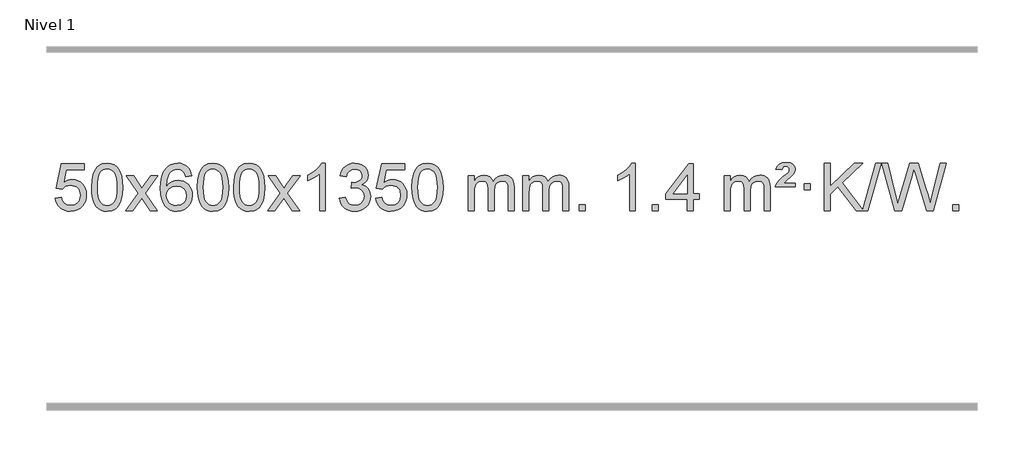
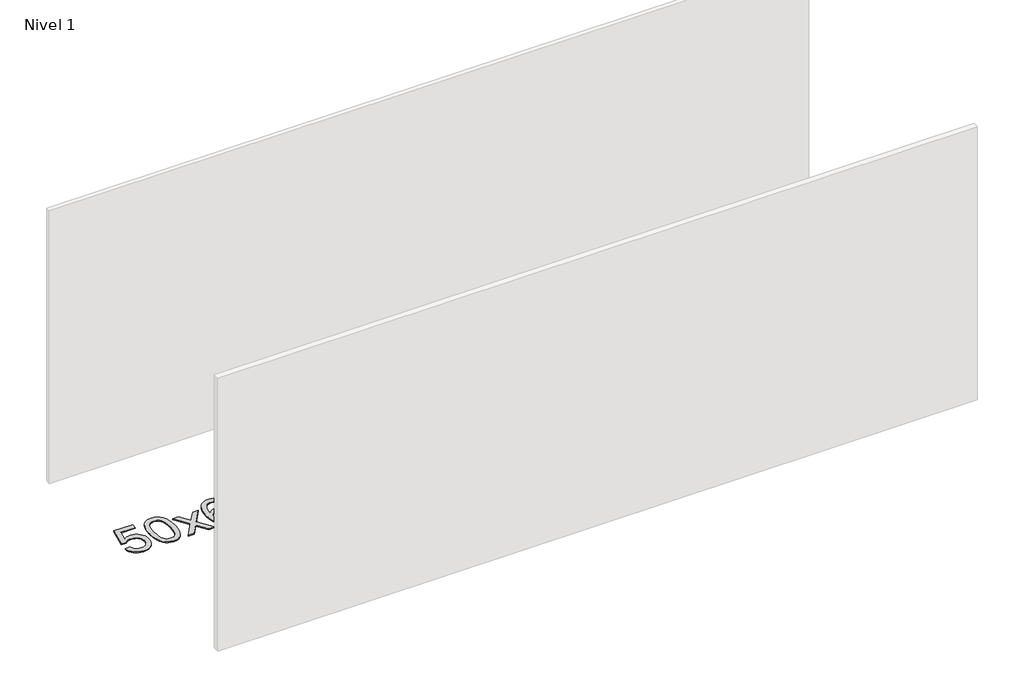
# One storey, part 14 of 16: 1 proxy.
"""IFC4 building model written with IfcOpenShell, lengths in millimetres."""

from ifc_helpers import new_model, si_unit, origin, origin_with_axes, place, context, project, spatial, polyline, outline, extrude, element, save

model = new_model("IFC4")

# Units and contexts
model_context = context("Model", 3, world=origin())
ifc_project = project(units=[si_unit("LENGTHUNIT", "METRE", prefix="MILLI")], contexts=[model_context])

# Site, building, storey
site = spatial("IfcSite", under=ifc_project)
building = spatial("IfcBuilding", under=site)
storey = spatial("IfcBuildingStorey", under=building, Name="Nivel 1", Elevation=0.0)

# Proxy
placement = place(None, origin())
element("IfcBuildingElementProxy", 1, Name="Texto de modelo 1", ObjectType="Texto de modelo 1", at=placement, inside=storey, context=model_context, shape_type="SweptSolid", body=[
    extrude(outline(polyline([(-156.1697105, -284.8446235), (-105.9415554, -278.5661041), (-96.71998, -308.7201649), (-80.6312741, -330.3148381), (-57.749014, -343.3010725), (-28.1467761, -347.6298173), (-9.0169124, -346.1245668), (7.8566085, -341.6088153), (22.4737864, -334.0825628), (34.8346214, -323.5458094), (44.6632021, -310.519721), (51.6836168, -295.5254641), (57.2999486, -259.6324441), (52.0392361, -225.8363514), (45.4633454, -211.9181493), (36.2570985, -199.9865099), (24.3898385, -190.4154467), (9.8309085, -183.5789729), (-27.3619612, -178.1097939), (-51.728012, -180.2925604), (-71.4587497, -186.8408599), (-87.2163618, -196.8717757), (-99.663036, -209.5023908), (-149.8911911, -203.2238715), (-105.9415554, 3.9672682), (88.6925455, 3.9672682), (88.6925455, -46.2608869), (-65.3273831, -46.2608869), (-86.8116916, -156.919791), (-69.0859108, -144.2155994), (-50.9309344, -135.1411769), (-32.3467623, -129.6965234), (-13.3333945, -127.8816388), (11.1276925, -130.1318504), (33.5960854, -136.882485), (54.0717841, -148.1335427), (72.5547887, -163.8850234), (87.855614, -183.1743027), (98.7847749, -205.038756), (105.3422715, -229.4783832), (107.5281037, -256.4931844), (105.559935, -282.5147042), (99.655429, -306.7213394), (89.8145856, -329.1130902), (76.0374049, -349.6899565), (55.166233, -370.7634634), (30.812445, -385.8159684), (2.9760407, -394.8474714), (-28.3429799, -397.8579724), (-54.2633321, -395.9235262), (-77.6759554, -390.1201877), (-98.5808498, -380.447957), (-116.9780152, -366.9068338), (-132.2849719, -350.1712688), (-143.91924, -330.915712), (-151.8808195, -309.1401636), (-156.1697105, -284.8446235)])), origin_with_axes(), (0.0, 0.0, 1.0), 10.0),
    extrude(outline(polyline([(151.4777394, -193.9041943), (155.1688221, -129.5861588), (166.2420701, -78.2911459), (184.5871189, -39.2343407), (196.4451819, -24.0009605), (210.0936039, -11.6309284), (225.5783702, -2.0598651), (242.9454661, 4.7766086), (283.3266464, 10.2457876), (314.277785, 7.008426), (341.9915619, -2.7036586), (365.1681276, -18.5103217), (382.5076323, -40.0314184), (395.6042314, -67.0830078), (406.05208, -99.4811488), (412.8946851, -140.6226186), (415.1755535, -193.9041943), (411.521259, -257.8543477), (400.5583756, -309.0267333), (382.3236913, -348.1203266), (370.4932195, -363.3996922), (356.8539945, -375.8341036), (341.3508341, -385.4695462), (323.928556, -392.3520052), (283.3266464, -397.8579724), (255.6619204, -395.4667394), (231.1364541, -388.2930405), (209.7502474, -376.3368757), (191.5033004, -359.5982449), (173.9921175, -329.3399508), (161.4841296, -291.6381776), (153.9793369, -246.4929255), (151.4777394, -193.9041943)]), holes=[polyline([(201.7058944, -193.8060924), (203.1774224, -237.4706195), (207.5920064, -272.8148822), (214.9496463, -299.8388804), (225.2503421, -318.5426142), (237.709279, -331.2682656), (251.5416421, -340.3580165), (266.7474312, -345.8118671), (283.3266464, -347.6298173), (299.9058617, -345.8057357), (315.1116508, -340.3334911), (328.9440138, -331.2130833), (341.4029507, -318.4445124), (351.7036466, -299.7101217), (359.0612865, -272.6922549), (363.4758705, -237.3909118), (364.9473984, -193.8060924), (363.5249214, -151.2973278), (359.2574902, -116.5753989), (352.145105, -89.6403055), (342.1877657, -70.4920476), (329.9372952, -57.1440625), (315.9455167, -47.6097875), (300.21243, -41.8892225), (282.7380352, -39.9823675), (266.2446591, -41.6623619), (251.2963874, -46.7023452), (237.89322, -55.1023175), (226.0351571, -66.8622786), (215.3911047, -87.708925), (207.7882101, -115.8151094), (203.2264734, -151.1808319), (201.7058944, -193.8060924)])]), origin_with_axes(), (0.0, 0.0, 1.0), 10.0),
    extrude(outline(polyline([(440.2896311, -391.579453), (547.6130718, -243.2494325), (446.5681504, -96.4890419), (506.9988995, -96.4890419), (555.7555266, -167.122385), (578.5151594, -200.4770192), (598.2336343, -173.2047007), (653.7592901, -96.4890419), (714.1900392, -96.4890419), (608.0438209, -243.2494325), (710.2659646, -391.579453), (649.8352155, -391.579453), (588.3253459, -302.4048574), (577.0436314, -286.1199477), (500.7203801, -391.579453), (440.2896311, -391.579453)])), origin_with_axes(), (0.0, 0.0, 1.0), 10.0),
    extrude(outline(polyline([(999.0778563, -96.4890419), (948.8497012, -102.7675613), (940.7562973, -77.874213), (929.8179393, -60.8780648), (907.0337811, -45.2062918), (879.4916824, -39.9823675), (856.1434384, -43.0235253), (834.1686206, -52.1469988), (815.2962742, -71.3627017), (799.8820186, -97.8134171), (789.4709581, -135.227016), (785.6081972, -187.3313693), (805.7558678, -163.8237098), (829.9011894, -147.2567573), (856.6952614, -137.434308), (884.7891831, -134.1601582), (908.922242, -136.398107), (931.1913654, -143.1119534), (951.5965534, -154.3016975), (970.137806, -169.9673391), (985.5459302, -189.1769106), (996.5517332, -210.9984443), (1003.155215, -235.4319401), (1005.3563756, -262.4773982), (1001.2115718, -298.4439945), (988.7771604, -331.786366), (969.0832109, -360.0642287), (943.159793, -380.8372987), (912.184129, -393.602804), (877.3334413, -397.8579724), (847.3909126, -395.0375437), (820.3485203, -386.5762579), (796.2062643, -372.4741147), (774.9641448, -352.7311143), (757.6460999, -326.5133908), (745.2760678, -292.9870783), (737.8540485, -252.1521768), (735.3800421, -204.0086864), (738.1268943, -150.0342663), (746.367451, -103.9693092), (760.1017122, -65.8138149), (779.3296778, -35.5677835), (800.1701928, -15.5243462), (824.3339085, -1.2076052), (851.820825, 7.3824394), (882.6309421, 10.2457876), (905.7645882, 8.4738227), (926.7032051, 3.1579278), (945.4467927, -5.7018969), (961.9953511, -18.1056515), (975.9012906, -33.6364031), (986.7170212, -51.8772186), (994.4425431, -72.8280983), (999.0778563, -96.4890419)]), holes=[polyline([(785.6081972, -261.6925832), (788.514465, -283.9494439), (797.2332682, -305.2007605), (810.7713257, -323.472233), (828.1353558, -336.7895612), (849.0923668, -344.9197533), (873.4093667, -347.6298173), (906.5555345, -342.0134855), (920.4706709, -334.9930708), (932.6138425, -325.1644901), (942.4638829, -312.9262824), (949.499626, -298.6769865), (955.1282206, -264.1451299), (949.5732024, -230.9989621), (942.6294298, -217.3781312), (932.9081481, -205.725469), (920.7281883, -196.3904634), (906.4083817, -189.7226022), (871.3492275, -184.3883133), (838.2521107, -189.7226022), (810.5751219, -205.725469), (799.6520924, -217.2248471), (791.8499284, -230.3858254), (787.16863, -245.2084042), (785.6081972, -261.6925832)])]), origin_with_axes(), (0.0, 0.0, 1.0), 10.0),
    extrude(outline(polyline([(1049.3060113, -193.9041943), (1052.997094, -129.5861588), (1064.0703421, -78.2911459), (1082.4153909, -39.2343407), (1094.2734539, -24.0009605), (1107.9218759, -11.6309284), (1123.4066422, -2.0598651), (1140.7737381, 4.7766086), (1181.1549184, 10.2457876), (1212.1060569, 7.008426), (1239.8198339, -2.7036586), (1262.9963996, -18.5103217), (1280.3359043, -40.0314184), (1293.4325033, -67.0830078), (1303.880352, -99.4811488), (1310.7229571, -140.6226186), (1313.0038255, -193.9041943), (1309.349531, -257.8543477), (1298.3866475, -309.0267333), (1280.1519633, -348.1203266), (1268.3214915, -363.3996922), (1254.6822665, -375.8341036), (1239.1791061, -385.4695462), (1221.7568279, -392.3520052), (1181.1549184, -397.8579724), (1153.4901924, -395.4667394), (1128.964726, -388.2930405), (1107.5785194, -376.3368757), (1089.3315724, -359.5982449), (1071.8203894, -329.3399508), (1059.3124016, -291.6381776), (1051.8076089, -246.4929255), (1049.3060113, -193.9041943)]), holes=[polyline([(1099.5341664, -193.8060924), (1101.0056944, -237.4706195), (1105.4202783, -272.8148822), (1112.7779182, -299.8388804), (1123.0786141, -318.5426142), (1135.537551, -331.2682656), (1149.369914, -340.3580165), (1164.5757032, -345.8118671), (1181.1549184, -347.6298173), (1197.7341337, -345.8057357), (1212.9399228, -340.3334911), (1226.7722858, -331.2130833), (1239.2312227, -318.4445124), (1249.5319186, -299.7101217), (1256.8895585, -272.6922549), (1261.3041424, -237.3909118), (1262.7756704, -193.8060924), (1261.3531934, -151.2973278), (1257.0857622, -116.5753989), (1249.973377, -89.6403055), (1240.0160376, -70.4920476), (1227.7655672, -57.1440625), (1213.7737886, -47.6097875), (1198.040702, -41.8892225), (1180.5663072, -39.9823675), (1164.0729311, -41.6623619), (1149.1246594, -46.7023452), (1135.721492, -55.1023175), (1123.863429, -66.8622786), (1113.2193766, -87.708925), (1105.6164821, -115.8151094), (1101.0547453, -151.1808319), (1099.5341664, -193.8060924)])]), origin_with_axes(), (0.0, 0.0, 1.0), 10.0),
    extrude(outline(polyline([(1356.9534612, -193.9041943), (1360.6445439, -129.5861588), (1371.7177919, -78.2911459), (1390.0628407, -39.2343407), (1401.9209037, -24.0009605), (1415.5693257, -11.6309284), (1431.054092, -2.0598651), (1448.4211879, 4.7766086), (1488.8023682, 10.2457876), (1519.7535068, 7.008426), (1547.4672837, -2.7036586), (1570.6438494, -18.5103217), (1587.9833541, -40.0314184), (1601.0799532, -67.0830078), (1611.5278018, -99.4811488), (1618.3704069, -140.6226186), (1620.6512753, -193.9041943), (1616.9969808, -257.8543477), (1606.0340974, -309.0267333), (1587.7994131, -348.1203266), (1575.9689413, -363.3996922), (1562.3297163, -375.8341036), (1546.8265559, -385.4695462), (1529.4042778, -392.3520052), (1488.8023682, -397.8579724), (1461.1376422, -395.4667394), (1436.6121759, -388.2930405), (1415.2259692, -376.3368757), (1396.9790222, -359.5982449), (1379.4678393, -329.3399508), (1366.9598514, -291.6381776), (1359.4550587, -246.4929255), (1356.9534612, -193.9041943)]), holes=[polyline([(1407.1816162, -193.8060924), (1408.6531442, -237.4706195), (1413.0677282, -272.8148822), (1420.4253681, -299.8388804), (1430.7260639, -318.5426142), (1443.1850008, -331.2682656), (1457.0173639, -340.3580165), (1472.223153, -345.8118671), (1488.8023682, -347.6298173), (1505.3815835, -345.8057357), (1520.5873726, -340.3334911), (1534.4197356, -331.2130833), (1546.8786725, -318.4445124), (1557.1793684, -299.7101217), (1564.5370083, -272.6922549), (1568.9515923, -237.3909118), (1570.4231202, -193.8060924), (1569.0006432, -151.2973278), (1564.733212, -116.5753989), (1557.6208268, -89.6403055), (1547.6634875, -70.4920476), (1535.413017, -57.1440625), (1521.4212385, -47.6097875), (1505.6881518, -41.8892225), (1488.213757, -39.9823675), (1471.7203809, -41.6623619), (1456.7721092, -46.7023452), (1443.3689418, -55.1023175), (1431.5108789, -66.8622786), (1420.8668265, -87.708925), (1413.2639319, -115.8151094), (1408.7021952, -151.1808319), (1407.1816162, -193.8060924)])]), origin_with_axes(), (0.0, 0.0, 1.0), 10.0),
    extrude(outline(polyline([(1645.7653528, -391.579453), (1753.0887936, -243.2494325), (1652.0438722, -96.4890419), (1712.4746213, -96.4890419), (1761.2312484, -167.122385), (1783.9908812, -200.4770192), (1803.7093561, -173.2047007), (1859.2350119, -96.4890419), (1919.665761, -96.4890419), (1813.5195426, -243.2494325), (1915.7416864, -391.579453), (1855.3109373, -391.579453), (1793.8010677, -302.4048574), (1782.5193532, -286.1199477), (1706.1961019, -391.579453), (1645.7653528, -391.579453)])), origin_with_axes(), (0.0, 0.0, 1.0), 10.0),
    extrude(outline(polyline([(2135.4898648, -391.579453), (2085.2617098, -391.579453), (2085.2617098, -78.4382987), (2064.292436, -95.3976587), (2037.682305, -112.3324932), (1984.8053996, -137.6918254), (1984.8053996, -90.2105225), (2024.2546122, -68.7507395), (2058.4308496, -43.219729), (2085.3720743, -16.0700378), (2103.1162492, 10.2457876), (2135.4898648, 10.2457876), (2135.4898648, -391.579453)])), origin_with_axes(), (0.0, 0.0, 1.0), 10.0),
    extrude(outline(polyline([(2254.7817331, -284.8446235), (2305.0098882, -278.5661041), (2316.2548145, -310.1303793), (2332.7236652, -331.4430095), (2355.2257805, -343.5831154), (2384.570501, -347.6298173), (2419.0042558, -342.0625364), (2433.2780772, -335.1034354), (2445.5898613, -325.3606939), (2462.5860095, -300.4428201), (2468.2513922, -270.2274455), (2462.6350604, -241.5449126), (2445.786065, -218.2825078), (2420.27958, -202.8682522), (2388.6907794, -197.730167), (2353.4722097, -203.2238715), (2359.064016, -152.9957164), (2367.108369, -153.5843276), (2397.2011162, -149.979084), (2424.1055528, -139.1633534), (2435.1788008, -130.9841103), (2443.0882637, -120.8673555), (2447.8339415, -108.8130888), (2449.415834, -94.8213102), (2444.8295718, -73.1285352), (2431.0707852, -55.5315131), (2410.076986, -43.8696539), (2383.7856861, -39.9823675), (2357.4453352, -43.9064421), (2335.9119758, -55.6786659), (2320.1911519, -75.299039), (2311.2884076, -102.7675613), (2261.0602525, -96.4890419), (2267.0138095, -72.5092672), (2275.8491087, -51.3867093), (2287.5661503, -33.1213683), (2302.1649341, -17.713244), (2319.1856078, -5.4811677), (2338.1683187, 3.2560297), (2359.113067, 8.4983481), (2382.0198525, 10.2457876), (2413.5963904, 6.7999596), (2442.5977544, -3.5375245), (2467.0496443, -19.8469596), (2484.9777602, -41.2086408), (2495.9774319, -65.8199463), (2499.6439891, -91.8782543), (2496.1613729, -116.1584659), (2485.7135242, -138.1823347), (2468.4475959, -156.9443165), (2444.5107408, -171.4388671), (2475.9523886, -184.1430586), (2499.2515817, -205.77452), (2513.6725559, -235.1560286), (2518.4795473, -271.1103623), (2516.0760516, -296.5923218), (2508.8655645, -320.0631931), (2496.848086, -341.5229762), (2480.023616, -360.971671), (2459.5264575, -377.1094278), (2436.4909133, -388.636397), (2410.9169832, -395.5525785), (2382.8046674, -397.8579724), (2357.3962843, -395.8898037), (2334.2442441, -389.9852977), (2313.3485468, -380.1444543), (2294.7091923, -366.3672736), (2279.0803389, -349.4630959), (2267.2161446, -330.2412617), (2259.1166093, -308.7017708), (2254.7817331, -284.8446235)])), origin_with_axes(), (0.0, 0.0, 1.0), 10.0),
    extrude(outline(polyline([(2562.429183, -284.8446235), (2612.657338, -278.5661041), (2621.8789134, -308.7201649), (2637.9676193, -330.3148381), (2660.8498794, -343.3010725), (2690.4521173, -347.6298173), (2709.581981, -346.1245668), (2726.4555019, -341.6088153), (2741.0726798, -334.0825628), (2753.4335149, -323.5458094), (2763.2620955, -310.519721), (2770.2825102, -295.5254641), (2775.898842, -259.6324441), (2770.6381295, -225.8363514), (2764.0622388, -211.9181493), (2754.8559919, -199.9865099), (2742.9887319, -190.4154467), (2728.4298019, -183.5789729), (2691.2369322, -178.1097939), (2666.8708814, -180.2925604), (2647.1401437, -186.8408599), (2631.3825316, -196.8717757), (2618.9358574, -209.5023908), (2568.7077023, -203.2238715), (2612.657338, 3.9672682), (2807.291439, 3.9672682), (2807.291439, -46.2608869), (2653.2715103, -46.2608869), (2631.7872018, -156.919791), (2649.5129826, -144.2155994), (2667.667959, -135.1411769), (2686.2521312, -129.6965234), (2705.265499, -127.8816388), (2729.726586, -130.1318504), (2752.1949788, -136.882485), (2772.6706775, -148.1335427), (2791.1536821, -163.8850234), (2806.4545074, -183.1743027), (2817.3836684, -205.038756), (2823.9411649, -229.4783832), (2826.1269971, -256.4931844), (2824.1588284, -282.5147042), (2818.2543224, -306.7213394), (2808.413479, -329.1130902), (2794.6362983, -349.6899565), (2773.7651265, -370.7634634), (2749.4113384, -385.8159684), (2721.5749341, -394.8474714), (2690.2559136, -397.8579724), (2664.3355613, -395.9235262), (2640.922938, -390.1201877), (2620.0180436, -380.447957), (2601.6208782, -366.9068338), (2586.3139215, -350.1712688), (2574.6796534, -330.915712), (2566.7180739, -309.1401636), (2562.429183, -284.8446235)])), origin_with_axes(), (0.0, 0.0, 1.0), 10.0),
    extrude(outline(polyline([(2870.0766328, -193.9041943), (2873.7677155, -129.5861588), (2884.8409635, -78.2911459), (2903.1860124, -39.2343407), (2915.0440753, -24.0009605), (2928.6924974, -11.6309284), (2944.1772637, -2.0598651), (2961.5443595, 4.7766086), (3001.9255399, 10.2457876), (3032.8766784, 7.008426), (3060.5904554, -2.7036586), (3083.7670211, -18.5103217), (3101.1065258, -40.0314184), (3114.2031248, -67.0830078), (3124.6509735, -99.4811488), (3131.4935786, -140.6226186), (3133.7744469, -193.9041943), (3130.1201525, -257.8543477), (3119.157269, -309.0267333), (3100.9225848, -348.1203266), (3089.0921129, -363.3996922), (3075.452888, -375.8341036), (3059.9497276, -385.4695462), (3042.5274494, -392.3520052), (3001.9255399, -397.8579724), (2974.2608138, -395.4667394), (2949.7353475, -388.2930405), (2928.3491408, -376.3368757), (2910.1021939, -359.5982449), (2892.5910109, -329.3399508), (2880.0830231, -291.6381776), (2872.5782304, -246.4929255), (2870.0766328, -193.9041943)]), holes=[polyline([(2920.3047879, -193.8060924), (2921.7763158, -237.4706195), (2926.1908998, -272.8148822), (2933.5485397, -299.8388804), (2943.8492356, -318.5426142), (2956.3081725, -331.2682656), (2970.1405355, -340.3580165), (2985.3463246, -345.8118671), (3001.9255399, -347.6298173), (3018.5047551, -345.8057357), (3033.7105442, -340.3334911), (3047.5429073, -331.2130833), (3060.0018442, -318.4445124), (3070.30254, -299.7101217), (3077.6601799, -272.6922549), (3082.0747639, -237.3909118), (3083.5462919, -193.8060924), (3082.1238148, -151.2973278), (3077.8563837, -116.5753989), (3070.7439984, -89.6403055), (3060.7866591, -70.4920476), (3048.5361887, -57.1440625), (3034.5444101, -47.6097875), (3018.8113234, -41.8892225), (3001.3369287, -39.9823675), (2984.8435526, -41.6623619), (2969.8952808, -46.7023452), (2956.4921135, -55.1023175), (2944.6340505, -66.8622786), (2933.9899981, -87.708925), (2926.3871035, -115.8151094), (2921.8253668, -151.1808319), (2920.3047879, -193.8060924)])]), origin_with_axes(), (0.0, 0.0, 1.0), 10.0),
    extrude(outline(polyline([(3347.244106, -391.579453), (3347.244106, -96.4890419), (3397.4722611, -96.4890419), (3397.4722611, -145.0494653), (3412.5799483, -122.7435537), (3432.0041177, -105.2691589), (3455.0825815, -93.9751816), (3481.1531522, -90.2105225), (3509.0876584, -94.048758), (3531.4794092, -105.5634645), (3548.2057772, -123.9943524), (3559.1441352, -148.5811324), (3577.4523959, -123.0439906), (3598.3358304, -104.803175), (3621.794439, -93.8586857), (3647.8282215, -90.2105225), (3667.9360383, -91.7280358), (3685.585177, -96.2805755), (3700.7756377, -103.8681416), (3713.5074204, -114.4907342), (3723.5720587, -128.2709806), (3730.761086, -145.3315082), (3735.0745024, -165.6723168), (3736.5123078, -189.2934066), (3736.5123078, -391.579453), (3686.2841528, -391.579453), (3686.2841528, -210.875817), (3685.1191931, -185.8230531), (3681.6243142, -168.9372695), (3675.0760146, -157.3735121), (3664.7507933, -148.2868268), (3651.4702533, -142.4007149), (3636.0559977, -140.4386776), (3608.8449928, -145.4663982), (3586.6617085, -160.54956), (3578.0563355, -172.1194488), (3571.9096405, -186.7182326), (3566.9922845, -225.0024856), (3566.9922845, -391.579453), (3516.7641294, -391.579453), (3516.7641294, -205.2840106), (3513.8578616, -176.8835206), (3505.1390583, -156.6254854), (3489.7983791, -144.4853796), (3467.0264836, -140.4386776), (3447.6758907, -143.1364789), (3429.8458767, -151.2298828), (3415.1305968, -164.5226856), (3405.1242066, -182.8186835), (3399.3852475, -208.2025411), (3397.4722611, -242.7589232), (3397.4722611, -391.579453), (3347.244106, -391.579453)])), origin_with_axes(), (0.0, 0.0, 1.0), 10.0),
    extrude(outline(polyline([(3811.8545404, -391.579453), (3811.8545404, -96.4890419), (3862.0826955, -96.4890419), (3862.0826955, -145.0494653), (3877.1903828, -122.7435537), (3896.6145521, -105.2691589), (3919.693016, -93.9751816), (3945.7635867, -90.2105225), (3973.6980929, -94.048758), (3996.0898436, -105.5634645), (4012.8162117, -123.9943524), (4023.7545697, -148.5811324), (4042.0628303, -123.0439906), (4062.9462649, -104.803175), (4086.4048734, -93.8586857), (4112.438656, -90.2105225), (4132.5464727, -91.7280358), (4150.1956114, -96.2805755), (4165.3860721, -103.8681416), (4178.1178548, -114.4907342), (4188.1824931, -128.2709806), (4195.3715204, -145.3315082), (4199.6849368, -165.6723168), (4201.1227423, -189.2934066), (4201.1227423, -391.579453), (4150.8945872, -391.579453), (4150.8945872, -210.875817), (4149.7296276, -185.8230531), (4146.2347486, -168.9372695), (4139.6864491, -157.3735121), (4129.3612278, -148.2868268), (4116.0806877, -142.4007149), (4100.6664321, -140.4386776), (4073.4554272, -145.4663982), (4051.2721429, -160.54956), (4042.6667699, -172.1194488), (4036.5200749, -186.7182326), (4031.6027189, -225.0024856), (4031.6027189, -391.579453), (3981.3745638, -391.579453), (3981.3745638, -205.2840106), (3978.4682961, -176.8835206), (3969.7494928, -156.6254854), (3954.4088136, -144.4853796), (3931.6369181, -140.4386776), (3912.2863251, -143.1364789), (3894.4563111, -151.2298828), (3879.7410313, -164.5226856), (3869.734641, -182.8186835), (3863.9956819, -208.2025411), (3862.0826955, -242.7589232), (3862.0826955, -391.579453), (3811.8545404, -391.579453)])), origin_with_axes(), (0.0, 0.0, 1.0), 10.0),
    extrude(outline(polyline([(4289.0220137, -391.579453), (4289.0220137, -341.3512979), (4339.2501687, -341.3512979), (4339.2501687, -391.579453), (4289.0220137, -391.579453)])), origin_with_axes(), (0.0, 0.0, 1.0), 10.0),
    extrude(outline(polyline([(4766.1894869, -391.579453), (4715.9613318, -391.579453), (4715.9613318, -78.4382987), (4694.9920581, -95.3976587), (4668.3819271, -112.3324932), (4615.5050216, -137.6918254), (4615.5050216, -90.2105225), (4654.9542343, -68.7507395), (4689.1304716, -43.219729), (4716.0716964, -16.0700378), (4733.8158713, 10.2457876), (4766.1894869, 10.2457876), (4766.1894869, -391.579453)])), origin_with_axes(), (0.0, 0.0, 1.0), 10.0),
    extrude(outline(polyline([(4910.5954327, -391.579453), (4910.5954327, -341.3512979), (4960.8235878, -341.3512979), (4960.8235878, -391.579453), (4910.5954327, -391.579453)])), origin_with_axes(), (0.0, 0.0, 1.0), 10.0),
    extrude(outline(polyline([(5205.6858438, -391.579453), (5205.6858438, -297.4016622), (5023.6087816, -297.4016622), (5023.6087816, -247.1735072), (5218.2428825, 3.9672682), (5255.9139988, 3.9672682), (5255.9139988, -247.1735072), (5306.1421539, -247.1735072), (5306.1421539, -297.4016622), (5255.9139988, -297.4016622), (5255.9139988, -391.579453), (5205.6858438, -391.579453)]), holes=[polyline([(5205.6858438, -247.1735072), (5205.6858438, -91.9763561), (5085.4129568, -247.1735072), (5205.6858438, -247.1735072)])]), origin_with_axes(), (0.0, 0.0, 1.0), 10.0),
    extrude(outline(polyline([(5519.611813, -391.579453), (5519.611813, -96.4890419), (5569.8399681, -96.4890419), (5569.8399681, -145.0494653), (5584.9476553, -122.7435537), (5604.3718247, -105.2691589), (5627.4502885, -93.9751816), (5653.5208592, -90.2105225), (5681.4553654, -94.048758), (5703.8471162, -105.5634645), (5720.5734842, -123.9943524), (5731.5118422, -148.5811324), (5749.8201028, -123.0439906), (5770.7035374, -104.803175), (5794.162146, -93.8586857), (5820.1959285, -90.2105225), (5840.3037452, -91.7280358), (5857.952884, -96.2805755), (5873.1433447, -103.8681416), (5885.8751274, -114.4907342), (5895.9397656, -128.2709806), (5903.128793, -145.3315082), (5907.4422094, -165.6723168), (5908.8800148, -189.2934066), (5908.8800148, -391.579453), (5858.6518597, -391.579453), (5858.6518597, -210.875817), (5857.4869001, -185.8230531), (5853.9920211, -168.9372695), (5847.4437216, -157.3735121), (5837.1185003, -148.2868268), (5823.8379603, -142.4007149), (5808.4237047, -140.4386776), (5781.2126998, -145.4663982), (5759.0294155, -160.54956), (5750.4240424, -172.1194488), (5744.2773474, -186.7182326), (5739.3599914, -225.0024856), (5739.3599914, -391.579453), (5689.1318364, -391.579453), (5689.1318364, -205.2840106), (5686.2255686, -176.8835206), (5677.5067653, -156.6254854), (5662.1660861, -144.4853796), (5639.3941906, -140.4386776), (5620.0435977, -143.1364789), (5602.2135836, -151.2298828), (5587.4983038, -164.5226856), (5577.4919136, -182.8186835), (5571.7529544, -208.2025411), (5569.8399681, -242.7589232), (5569.8399681, -391.579453), (5519.611813, -391.579453)])), origin_with_axes(), (0.0, 0.0, 1.0), 10.0),
    extrude(outline(polyline([(5952.8296505, -190.6668327), (5956.6556233, -174.8479069), (5964.9942818, -158.9799302), (5986.5031158, -133.8413272), (6018.4597984, -106.1030247), (6062.6056379, -68.726214), (6069.7425486, -57.1992448), (6072.1215188, -45.3779701), (6070.2330579, -33.2869152), (6064.5676752, -23.5012541), (6055.198947, -17.026531), (6042.2004499, -14.8682899), (6029.7660384, -16.4869707), (6020.9123451, -21.343013), (6014.4866729, -30.8098431), (6009.336325, -46.2608869), (5959.1081699, -39.9823675), (5969.948426, -14.7701881), (5986.5766922, 2.7900458), (6010.3418691, 13.0907417), (6042.5928573, 16.524307), (6078.3755127, 12.3917659), (6103.1217083, -0.0058573), (6117.5426825, -18.3386434), (6122.3496739, -40.2766731), (6118.253921, -63.1834586), (6105.9666624, -84.8149199), (6085.438847, -104.6314968), (6048.9694786, -132.6886303), (6023.3648917, -159.2742358), (6122.3496739, -159.2742358), (6122.3496739, -190.6668327), (5952.8296505, -190.6668327)])), origin_with_axes(), (0.0, 0.0, 1.0), 10.0),
    extrude(outline(polyline([(6197.6919065, -215.7809102), (6197.6919065, -165.5527552), (6247.9200616, -165.5527552), (6247.9200616, -215.7809102), (6197.6919065, -215.7809102)])), origin_with_axes(), (0.0, 0.0, 1.0), 10.0),
    extrude(outline(polyline([(6638.5616895, -391.579453), (6485.1303721, -188.9009991), (6417.440085, -253.4520265), (6417.440085, -391.579453), (6367.2119299, -391.579453), (6367.2119299, 10.2457876), (6417.440085, 10.2457876), (6417.440085, -186.4484525), (6623.4540023, 10.2457876), (6693.6949379, 10.2457876), (6520.7413492, -154.9577537), (6695.3949591, -385.5349332), (6806.7082868, 10.2457876), (6852.0313486, 10.2457876), (6739.0179997, -391.579453), (6699.9734572, -391.579453), (6693.6949379, -391.579453), (6638.5616895, -391.579453)])), origin_with_axes(), (0.0, 0.0, 1.0), 10.0),
    extrude(outline(polyline([(6966.5162255, -391.579453), (6856.9364419, 10.2457876), (6908.7342268, 10.2457876), (6972.3042355, -253.844434), (6991.9246086, -335.3670841), (7012.9184078, -263.2622131), (7092.5771225, 10.2457876), (7167.2326421, 10.2457876), (7225.1127426, -188.0180823), (7249.9079891, -261.5944814), (7268.1794615, -335.3670841), (7287.2112234, -256.1988788), (7351.3698434, 10.2457876), (7403.1676283, 10.2457876), (7293.4897428, -391.579453), (7239.8280224, -391.579453), (7143.4919906, -81.5775584), (7130.0520351, -38.3146358), (7114.9443478, -90.4067263), (7027.1431783, -391.579453), (6966.5162255, -391.579453)])), origin_with_axes(), (0.0, 0.0, 1.0), 10.0),
    extrude(outline(polyline([(7459.6743028, -391.579453), (7459.6743028, -341.3512979), (7509.9024578, -341.3512979), (7509.9024578, -391.579453), (7459.6743028, -391.579453)])), origin_with_axes(), (0.0, 0.0, 1.0), 10.0),
])

save(model, "model.ifc")
